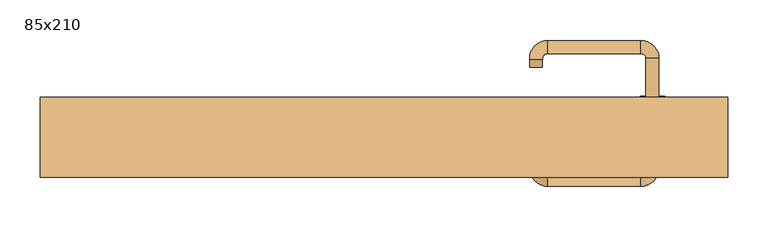
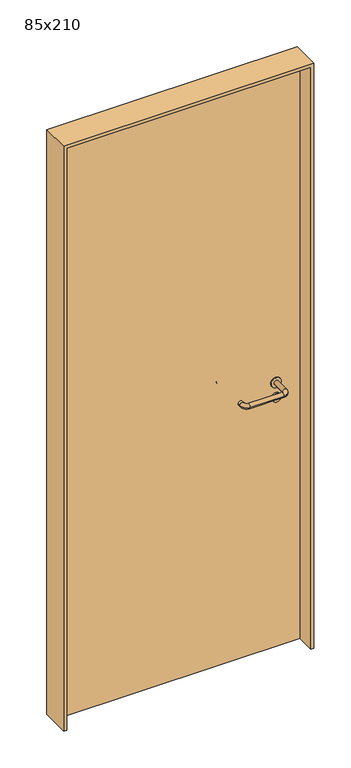
"""IFC4 building model written with IfcOpenShell, lengths in millimetres: door geometry, 85x210."""

from ifc_helpers import new_model, si_unit, point, frame, frame_2d, origin, origin_with_axes, place, context, project, spatial, polyline, circle_curve, ellipse_curve, trimmed, segment, composite_curve, outline, extrude, source, transform, mapped, element, save
from ifc_brep_helpers import plane_surface, cylinder_surface, revolved_surface, advanced_brep


def door_85x210_dc649499(model_context):
    return source(origin(), model_context, "Body", "SolidModel", [
        extrude(outline(composite_curve([segment(trimmed(circle_curve(frame_2d((897.3605726, 332.0)), 15.0), [point((897.3605726, 347.0))], [point((897.3605726, 317.0))], False, "CARTESIAN"), True, "CONTINUOUS"), segment(trimmed(circle_curve(frame_2d((897.3605726, 332.0)), 15.0), [point((897.3605726, 317.0))], [point((897.3605726, 347.0))], False, "CARTESIAN"), True, "CONTINUOUS")], self_intersect=False), holes=[composite_curve([segment(trimmed(circle_curve(frame_2d((892.5833211, 331.9398032)), 2.0), [point((892.5833211, 333.9398032))], [point((892.5833211, 329.9398032))], True, "CARTESIAN"), True, "CONTINUOUS"), segment(polyline([(892.5833211, 329.9398032), (902.5833211, 329.9398032)]), True, "CONTINUOUS"), segment(trimmed(circle_curve(frame_2d((902.5833211, 331.9398032)), 2.0), [point((902.5833211, 329.9398032))], [point((902.5833211, 333.9398032))], True, "CARTESIAN"), True, "CONTINUOUS"), segment(polyline([(902.5833211, 333.9398032), (892.5833211, 333.9398032)]), True, "CONTINUOUS")], self_intersect=False)]), frame((0.0, 8.65, 0.0), z_axis=(0.0, 1.0, 0.0), x_axis=(0.0, 0.0, 1.0)), (0.0, 0.0, 1.0), 6.35),
        extrude(outline(composite_curve([segment(trimmed(circle_curve(frame_2d((950.0, 332.0)), 17.526), [point((950.0, 349.526))], [point((950.0, 314.474))], False, "CARTESIAN"), True, "CONTINUOUS"), segment(trimmed(circle_curve(frame_2d((950.0, 332.0)), 17.526), [point((950.0, 314.474))], [point((950.0, 349.526))], False, "CARTESIAN"), True, "CONTINUOUS")], self_intersect=False)), frame((0.0, 11.825, 0.0), z_axis=(0.0, 1.0, 0.0), x_axis=(0.0, 0.0, 1.0)), (0.0, 0.0, 1.0), 3.175),
        advanced_brep(
        [(340.0, 15.0, 950.0), (324.0, 15.0, 950.0), (324.0, -38.0, 950.0), (340.0, -38.0, 950.0), (317.8578644, -44.1421356, 950.0), (317.8578644, -60.1421356, 950.0), (202.8578644, -44.1421356, 950.0), (202.8578644, -60.1421356, 950.0), (196.008622, -37.2928932, 950.0), (180.008622, -37.2928932, 950.0), (180.008622, -27.2928932, 950.0), (196.008622, -27.2928932, 950.0)],
        [
            (0, 1, circle_curve(frame((332.0, 15.0, 950.0), z_axis=(0.0, 1.0, 0.0), x_axis=(-1.0, 0.0, 0.0)), 8.0)),
            (1, 0, circle_curve(frame((332.0, 15.0, 950.0), z_axis=(0.0, 1.0, 0.0), x_axis=(-1.0, 0.0, 0.0)), 8.0)),
            (1, 2),
            (2, 3, circle_curve(frame((332.0, -38.0, 950.0), z_axis=(0.0, 1.0, 0.0), x_axis=(-1.0, 0.0, 0.0)), 8.0)),
            (3, 0),
            (3, 2, circle_curve(frame((332.0, -38.0, 950.0), z_axis=(0.0, 1.0, 0.0), x_axis=(-1.0, 0.0, 0.0)), 8.0)),
            (4, 5, circle_curve(frame((317.8578644, -52.1421356, 950.0), z_axis=(1.0, 0.0, 0.0), x_axis=(0.0, 1.0, 0.0)), 8.0)),
            (5, 3, circle_curve(frame((317.8578644, -38.0, 950.0), z_axis=(0.0, 0.0, 1.0), x_axis=(1.0, 0.0, 0.0)), 22.1421356)),
            (2, 4, circle_curve(frame((317.8578644, -38.0, 950.0), z_axis=(0.0, 0.0, -1.0), x_axis=(1.0, 0.0, 0.0)), 6.1421356)),
            (5, 4, circle_curve(frame((317.8578644, -52.1421356, 950.0), z_axis=(1.0, 0.0, 0.0), x_axis=(0.0, 1.0, 0.0)), 8.0)),
            (4, 6),
            (6, 7, circle_curve(frame((202.8578644, -52.1421356, 950.0), z_axis=(1.0, 0.0, 0.0), x_axis=(0.0, 1.0, 0.0)), 8.0)),
            (7, 5),
            (7, 6, circle_curve(frame((202.8578644, -52.1421356, 950.0), z_axis=(1.0, 0.0, 0.0), x_axis=(0.0, 1.0, 0.0)), 8.0)),
            (8, 9, circle_curve(frame((188.008622, -37.2928932, 950.0), z_axis=(0.0, -1.0, 0.0), x_axis=(1.0, 0.0, 0.0)), 8.0)),
            (9, 7, circle_curve(frame((202.8578644, -37.2928932, 950.0), z_axis=(0.0, 0.0, 1.0), x_axis=(0.0, -1.0, 0.0)), 22.8492424)),
            (6, 8, circle_curve(frame((202.8578644, -37.2928932, 950.0), z_axis=(0.0, 0.0, -1.0), x_axis=(0.0, -1.0, 0.0)), 6.8492424)),
            (9, 8, circle_curve(frame((188.008622, -37.2928932, 950.0), z_axis=(0.0, -1.0, 0.0), x_axis=(1.0, 0.0, 0.0)), 8.0)),
            (10, 11, circle_curve(frame((188.008622, -27.2928932, 950.0), z_axis=(0.0, 1.0, 0.0), x_axis=(1.0, 0.0, 0.0)), 8.0)),
            (11, 10, circle_curve(frame((188.008622, -27.2928932, 950.0), z_axis=(0.0, 1.0, 0.0), x_axis=(1.0, 0.0, 0.0)), 8.0)),
            (8, 11),
            (10, 9),
        ],
        [
            plane_surface(frame((332.0, 15.0, 0.0), z_axis=(0.0, 1.0, 0.0), x_axis=(0.0, 0.0, 1.0))),
            cylinder_surface(frame((332.0, 15.0, 950.0), z_axis=(0.0, 1.0, 0.0), x_axis=(-1.0, 0.0, 0.0)), 8.0),
            revolved_surface(trimmed(ellipse_curve(frame((332.0, -38.0, 950.0), z_axis=(0.0, -1.0, 0.0), x_axis=(-1.0, 0.0, 0.0)), 8.0, 8.0), [point((340.0, -38.0, 950.0))], [point((324.0, -38.0, 950.0))], True, "CARTESIAN"), (317.8578644, -38.0, 0.0), (0.0, 0.0, 1.0)),
            revolved_surface(trimmed(ellipse_curve(frame((332.0, -38.0, 950.0), z_axis=(0.0, -1.0, 0.0), x_axis=(-1.0, 0.0, 0.0)), 8.0, 8.0), [point((324.0, -38.0, 950.0))], [point((340.0, -38.0, 950.0))], True, "CARTESIAN"), (317.8578644, -38.0, 0.0), (0.0, 0.0, 1.0)),
            cylinder_surface(frame((317.8578644, -52.1421356, 950.0), z_axis=(1.0, 0.0, 0.0), x_axis=(0.0, 1.0, 0.0)), 8.0),
            revolved_surface(trimmed(ellipse_curve(frame((202.8578644, -52.1421356, 950.0), z_axis=(-1.0, 0.0, 0.0), x_axis=(0.0, 1.0, 0.0)), 8.0, 8.0), [point((202.8578644, -60.1421356, 950.0))], [point((202.8578644, -44.1421356, 950.0))], True, "CARTESIAN"), (202.8578644, -37.2928932, 0.0), (0.0, 0.0, 1.0)),
            revolved_surface(trimmed(ellipse_curve(frame((202.8578644, -52.1421356, 950.0), z_axis=(-1.0, 0.0, 0.0), x_axis=(0.0, 1.0, 0.0)), 8.0, 8.0), [point((202.8578644, -44.1421356, 950.0))], [point((202.8578644, -60.1421356, 950.0))], True, "CARTESIAN"), (202.8578644, -37.2928932, 0.0), (0.0, 0.0, 1.0)),
            plane_surface(frame((188.008622, -27.2928932, 0.0), z_axis=(0.0, 1.0, 0.0), x_axis=(0.0, 0.0, 1.0))),
            cylinder_surface(frame((188.008622, -37.2928932, 950.0), z_axis=(0.0, -1.0, 0.0), x_axis=(1.0, 0.0, 0.0)), 8.0),
        ],
        [
            (0, [[1, 2]]),
            (1, [[3, 4, 5, -2]]),
            (1, [[-5, 6, -3, -1]]),
            (2, [[7, 8, -4, 9]]),
            (3, [[10, -9, -6, -8]]),
            (4, [[11, 12, 13, -7]]),
            (4, [[-13, 14, -11, -10]]),
            (5, [[15, 16, -12, 17]]),
            (6, [[18, -17, -14, -16]]),
            (7, [[19, 20]]),
            (8, [[21, -19, 22, -15]]),
            (8, [[-22, -20, -21, -18]]),
        ],
    ),
        extrude(outline(composite_curve([segment(trimmed(circle_curve(frame_2d((0.0, -15.0)), 15.0), [point((0.0, -30.0))], [point((0.0, 0.0))], False, "CARTESIAN"), True, "CONTINUOUS"), segment(trimmed(circle_curve(frame_2d((0.0, -15.0)), 15.0), [point((0.0, 0.0))], [point((0.0, -30.0))], False, "CARTESIAN"), True, "CONTINUOUS")], self_intersect=False), holes=[composite_curve([segment(trimmed(circle_curve(frame_2d((4.7772515, -14.9398032)), 2.0), [point((4.7772515, -16.9398032))], [point((4.7772515, -12.9398032))], True, "CARTESIAN"), True, "CONTINUOUS"), segment(polyline([(4.7772515, -12.9398032), (-5.2227485, -12.9398032)]), True, "CONTINUOUS"), segment(trimmed(circle_curve(frame_2d((-5.2227485, -14.9398032)), 2.0), [point((-5.2227485, -12.9398032))], [point((-5.2227485, -16.9398032))], True, "CARTESIAN"), True, "CONTINUOUS"), segment(polyline([(-5.2227485, -16.9398032), (4.7772515, -16.9398032)]), True, "CONTINUOUS")], self_intersect=False)]), frame((317.0, 45.0, 897.3605726), z_axis=(1.8870575173328306e-12, 1.0, 0.0), x_axis=(0.0, 0.0, -1.0)), (0.0, 0.0, 1.0), 6.35),
        extrude(outline(composite_curve([segment(trimmed(circle_curve(frame_2d((0.0, -17.526)), 17.526), [point((0.0, -35.052))], [point((0.0, 0.0))], False, "CARTESIAN"), True, "CONTINUOUS"), segment(trimmed(circle_curve(frame_2d((0.0, -17.526)), 17.526), [point((0.0, 0.0))], [point((0.0, -35.052))], False, "CARTESIAN"), True, "CONTINUOUS")], self_intersect=False)), frame((314.474, 45.0, 950.0), z_axis=(1.8870575173328306e-12, 1.0, 0.0), x_axis=(0.0, 0.0, -1.0)), (0.0, 0.0, 1.0), 3.175),
        advanced_brep(
        [(340.0, 45.0, 950.0), (324.0, 45.0, 950.0), (340.0, 98.0, 950.0), (324.0, 98.0, 950.0), (317.8578644, 104.1421356, 950.0), (317.8578644, 120.1421356, 950.0), (202.8578644, 120.1421356, 950.0), (202.8578644, 104.1421356, 950.0), (196.008622, 97.2928932, 950.0), (180.008622, 97.2928932, 950.0), (180.008622, 87.2928932, 950.0), (196.008622, 87.2928932, 950.0)],
        [
            (0, 1, circle_curve(frame((332.0, 45.0, 950.0), z_axis=(-1.888672253512351e-12, -1.0, 0.0), x_axis=(-1.0, 1.888672253512351e-12, 0.0)), 8.0)),
            (1, 0, circle_curve(frame((332.0, 45.0, 950.0), z_axis=(-1.888672253512351e-12, -1.0, 0.0), x_axis=(-1.0, 1.888672253512351e-12, 0.0)), 8.0)),
            (0, 2),
            (2, 3, circle_curve(frame((332.0, 98.0, 950.0), z_axis=(-1.888672253512351e-12, -1.0, 0.0), x_axis=(-1.0, 1.888672253512351e-12, 0.0)), 8.0)),
            (3, 1),
            (3, 2, circle_curve(frame((332.0, 98.0, 950.0), z_axis=(-1.888672253512351e-12, -1.0, 0.0), x_axis=(-1.0, 1.888672253512351e-12, 0.0)), 8.0)),
            (4, 3, circle_curve(frame((317.8578644, 98.0, 950.0), z_axis=(0.0, 0.0, -1.0), x_axis=(1.0, -1.880717803715015e-12, 0.0)), 6.1421356)),
            (2, 5, circle_curve(frame((317.8578644, 98.0, 950.0), z_axis=(0.0, 0.0, 1.0), x_axis=(1.0, -1.880717803715015e-12, 0.0)), 22.1421356)),
            (5, 4, circle_curve(frame((317.8578644, 112.1421356, 950.0), z_axis=(1.0, -1.913702061528922e-12, 0.0), x_axis=(-1.913702061528922e-12, -1.0, 0.0)), 8.0)),
            (4, 5, circle_curve(frame((317.8578644, 112.1421356, 950.0), z_axis=(1.0, -1.913702061528922e-12, 0.0), x_axis=(-1.913702061528922e-12, -1.0, 0.0)), 8.0)),
            (5, 6),
            (6, 7, circle_curve(frame((202.8578644, 112.1421356, 950.0), z_axis=(1.0, -1.913719828541269e-12, 0.0), x_axis=(-1.913719828541269e-12, -1.0, 0.0)), 8.0)),
            (7, 4),
            (7, 6, circle_curve(frame((202.8578644, 112.1421356, 950.0), z_axis=(1.0, -1.913719828541269e-12, 0.0), x_axis=(-1.913719828541269e-12, -1.0, 0.0)), 8.0)),
            (8, 7, circle_curve(frame((202.8578644, 97.2928932, 950.0), z_axis=(0.0, 0.0, -1.0), x_axis=(1.9120873253494017e-12, 1.0, 0.0)), 6.8492424)),
            (6, 9, circle_curve(frame((202.8578644, 97.2928932, 950.0), z_axis=(0.0, 0.0, 1.0), x_axis=(1.9120873253494017e-12, 1.0, 0.0)), 22.8492424)),
            (9, 8, circle_curve(frame((188.008622, 97.2928932, 950.0), z_axis=(1.890448610351751e-12, 1.0, 0.0), x_axis=(1.0, -1.890448610351751e-12, 0.0)), 8.0)),
            (8, 9, circle_curve(frame((188.008622, 97.2928932, 950.0), z_axis=(1.8888942981172756e-12, 1.0, 0.0), x_axis=(1.0, -1.8888942981172756e-12, 0.0)), 8.0)),
            (10, 11, circle_curve(frame((188.008622, 87.2928932, 950.0), z_axis=(-1.8903642334018795e-12, -1.0, 0.0), x_axis=(1.0, -1.8903642334018795e-12, 0.0)), 8.0)),
            (11, 10, circle_curve(frame((188.008622, 87.2928932, 950.0), z_axis=(-1.8903642334018795e-12, -1.0, 0.0), x_axis=(1.0, -1.8903642334018795e-12, 0.0)), 8.0)),
            (9, 10),
            (11, 8),
        ],
        [
            plane_surface(frame((332.0, 45.0, 0.0), z_axis=(-1.8870575173328306e-12, -1.0, 0.0), x_axis=(0.0, 0.0, 1.0))),
            cylinder_surface(frame((332.0, 45.0, 950.0), z_axis=(-1.888672253512351e-12, -1.0, 0.0), x_axis=(-1.0, 1.888672253512351e-12, 0.0)), 8.0),
            revolved_surface(trimmed(ellipse_curve(frame((332.0, 98.0, 950.0), z_axis=(-1.8823325398945356e-12, -1.0, 0.0), x_axis=(-1.0, 1.8823325398945356e-12, 0.0)), 8.0, 8.0), [point((340.0, 98.0, 950.0))], [point((324.0, 98.0, 950.0))], True, "CARTESIAN"), (317.8578644, 98.0, 0.0), (0.0, 0.0, 1.0)),
            revolved_surface(trimmed(ellipse_curve(frame((332.0, 98.0, 950.0), z_axis=(-1.8823325398945356e-12, -1.0, 0.0), x_axis=(-1.0, 1.8823325398945356e-12, 0.0)), 8.0, 8.0), [point((324.0, 98.0, 950.0))], [point((340.0, 98.0, 950.0))], True, "CARTESIAN"), (317.8578644, 98.0, 0.0), (0.0, 0.0, 1.0)),
            cylinder_surface(frame((317.8578644, 112.1421356, 950.0), z_axis=(1.0, -1.913719828541269e-12, 0.0), x_axis=(-1.913719828541269e-12, -1.0, 0.0)), 8.0),
            revolved_surface(trimmed(ellipse_curve(frame((202.8578644, 112.1421356, 950.0), z_axis=(1.0, -1.913702061528922e-12, 0.0), x_axis=(-1.913702061528922e-12, -1.0, 0.0)), 8.0, 8.0), [point((202.8578644, 120.1421356, 950.0))], [point((202.8578644, 104.1421356, 950.0))], True, "CARTESIAN"), (202.8578644, 97.2928932, 0.0), (0.0, 0.0, 1.0)),
            revolved_surface(trimmed(ellipse_curve(frame((202.8578644, 112.1421356, 950.0), z_axis=(1.0, -1.913702061528922e-12, 0.0), x_axis=(-1.913702061528922e-12, -1.0, 0.0)), 8.0, 8.0), [point((202.8578644, 104.1421356, 950.0))], [point((202.8578644, 120.1421356, 950.0))], True, "CARTESIAN"), (202.8578644, 97.2928932, 0.0), (0.0, 0.0, 1.0)),
            plane_surface(frame((188.008622, 87.2928932, 0.0), z_axis=(-1.8887494972223595e-12, -1.0, 0.0), x_axis=(0.0, 0.0, 1.0))),
            cylinder_surface(frame((188.008622, 97.2928932, 950.0), z_axis=(1.8903642334018795e-12, 1.0, 0.0), x_axis=(1.0, -1.8903642334018795e-12, 0.0)), 8.0),
        ],
        [
            (0, [[1, 2]]),
            (1, [[-1, 3, 4, 5]]),
            (1, [[-2, -5, 6, -3]]),
            (2, [[7, -4, 8, 9]]),
            (3, [[-8, -6, -7, 10]]),
            (4, [[-9, 11, 12, 13]]),
            (4, [[-10, -13, 14, -11]]),
            (5, [[15, -12, 16, 17]]),
            (6, [[-16, -14, -15, 18]]),
            (7, [[19, 20]]),
            (8, [[-17, 21, -20, 22]]),
            (8, [[-18, -22, -19, -21]]),
        ],
    ),
        extrude(outline(polyline([(2090.0, 415.0), (0.0, 415.0), (0.0, 425.0), (2100.0, 425.0), (2100.0, -425.0), (0.0, -425.0), (0.0, -415.0), (2090.0, -415.0), (2090.0, 415.0)])), frame((0.0, -49.0, 0.0), z_axis=(0.0, 1.0, 0.0), x_axis=(0.0, 0.0, 1.0)), (0.0, 0.0, 1.0), 99.0),
        extrude(outline(polyline([(-415.0, 45.0), (415.0, 45.0), (415.0, 15.0), (-415.0, 15.0), (-415.0, 45.0)])), origin_with_axes(), (0.0, 0.0, 1.0), 2090.0),
    ])


if __name__ == "__main__":
    model = new_model("IFC4")
    model_context = context("Model", 3, world=origin())
    ifc_project = project(units=[si_unit("LENGTHUNIT", "METRE", prefix="MILLI")], contexts=[model_context])
    site = spatial("IfcSite", under=ifc_project)
    building = spatial("IfcBuilding", under=site)
    placement = place(None, origin())
    door_85x210_shape = door_85x210_dc649499(model_context)
    element("IfcDoor", 1, ObjectType="85x210", at=placement, inside=building, context=model_context, shape_type="MappedRepresentation", body=[
        mapped(door_85x210_shape, transform((0.0, 0.0, 0.0), x_axis=(1.0, 0.0, 0.0), y_axis=(0.0, 1.0, 0.0), z_axis=(0.0, 0.0, 1.0))),
    ])
    save(model, "model.ifc")
